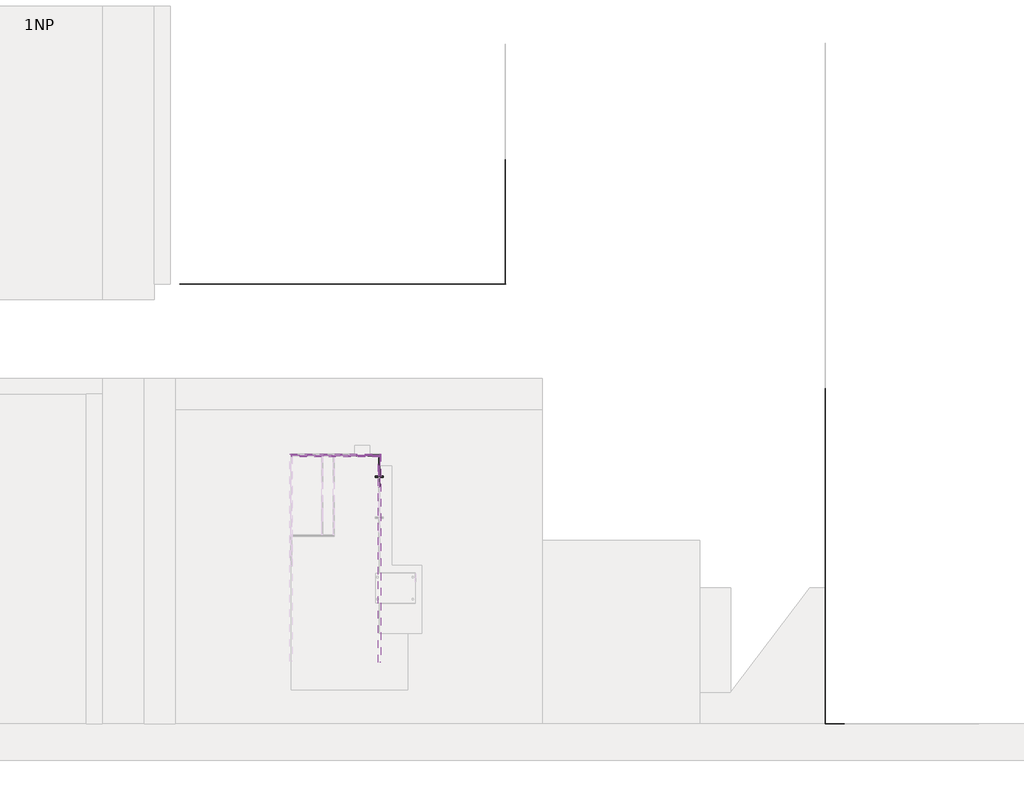
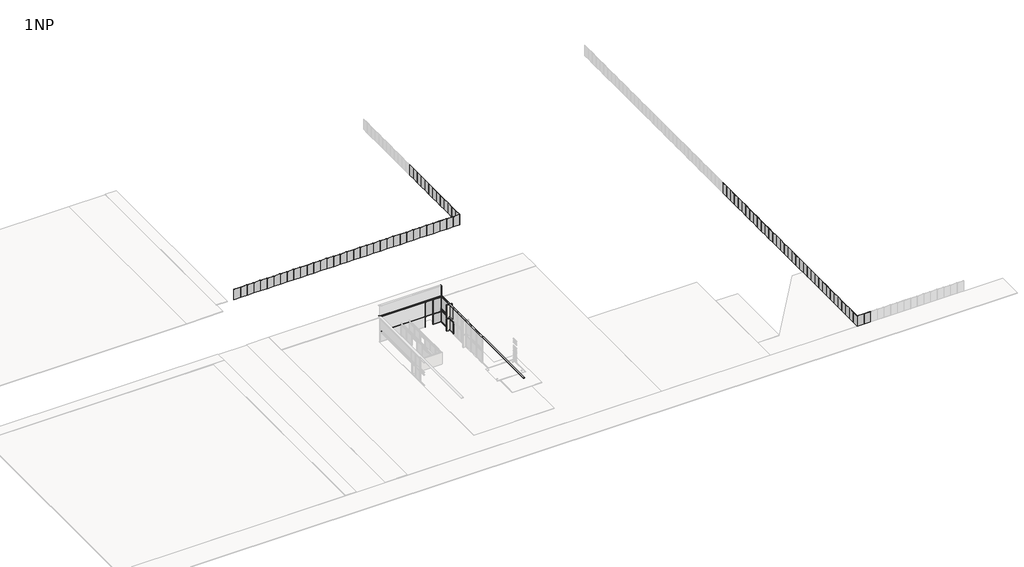
# One storey, part 8 of 52: 95 plates, 22 members, 1 wall.
"""IFC4 building model written with IfcOpenShell, lengths in millimetres."""

import ifcopenshell
import ifcopenshell.guid

model = None  # the IFC model being written
_history = None  # IfcOwnerHistory: only IFC2X3 demands one
_inside = {}  # id of a spatial element -> (the spatial element, [elements in it])
_under = {}  # id of a project, library or spatial element -> (it, [spatial elements below it])
_declared = {}  # id of a project -> (the project, [libraries it declares])
_typed = {}  # id of a type object -> (the type object, [elements of that type])
_made_of = {}  # id of a material, layer set ... -> (it, [elements and type objects made of it])


def new_model(schema):
    """Start an empty IFC model of exactly this schema.

    Asked for "IFC4X3", IfcOpenShell would pick the latest addendum, in which some entities
    have other attributes; the version numbers below select the first issue.
    IFC2X3 requires an IfcOwnerHistory on every rooted entity: one is made here for all.
    """
    global model, _history
    if schema == "IFC4X3":
        model = ifcopenshell.file(schema_version=(4, 3, 0, 0))
    else:
        model = ifcopenshell.file(schema=schema)
    _inside.clear()
    _under.clear()
    _declared.clear()
    _typed.clear()
    _made_of.clear()
    _history = None
    if model.schema == "IFC2X3":
        org = make("IfcOrganization", Name="unknown")
        user = make(
            "IfcPersonAndOrganization",
            ThePerson=make("IfcPerson", FamilyName="unknown"),
            TheOrganization=org,
        )
        app = make(
            "IfcApplication",
            ApplicationDeveloper=org,
            Version="unknown",
            ApplicationFullName="unknown",
            ApplicationIdentifier="unknown",
        )
        _history = make(
            "IfcOwnerHistory",
            OwningUser=user,
            OwningApplication=app,
            ChangeAction="ADDED",
            CreationDate=0,
        )
    return model


def make(cls, **values):
    """One entity of the class cls with the attributes given. An attribute that is None is left unset."""
    return model.create_entity(
        cls, **{name: value for name, value in values.items() if value is not None}
    )


def rooted(cls, **values):
    """An entity with a GlobalId (a new one), such as an element, a storey or a relation."""
    return make(cls, GlobalId=ifcopenshell.guid.new(), OwnerHistory=_history, **values)


def si_unit(unit_type, name, prefix=None):
    """IfcSIUnit, for example si_unit("LENGTHUNIT", "METRE", prefix="MILLI")."""
    return make("IfcSIUnit", UnitType=unit_type, Prefix=prefix, Name=name)


def assignment(units):
    """IfcUnitAssignment: the units of a project."""
    return None if units is None else make("IfcUnitAssignment", Units=units)


def point(xyz):
    """IfcCartesianPoint."""
    return None if xyz is None else make("IfcCartesianPoint", Coordinates=xyz)


def direction(xyz):
    """IfcDirection."""
    return None if xyz is None else make("IfcDirection", DirectionRatios=xyz)


def frame(location, z_axis=None, x_axis=None):
    """IfcAxis2Placement3D, a coordinate frame: its origin and axes. An axis left out is left unset."""
    return make(
        "IfcAxis2Placement3D",
        Location=point(location),
        Axis=direction(z_axis),
        RefDirection=direction(x_axis),
    )


def origin():
    """The frame at (0, 0, 0) with its axes left unset."""
    return frame((0.0, 0.0, 0.0))


def origin_with_axes():
    """The frame at (0, 0, 0) with the z axis (0, 0, 1) and the x axis (1, 0, 0) written out."""
    return frame((0.0, 0.0, 0.0), z_axis=(0.0, 0.0, 1.0), x_axis=(1.0, 0.0, 0.0))


def place(relative_to, where):
    """IfcLocalPlacement: puts the frame where relative to a parent placement (None: the world)."""
    return make(
        "IfcLocalPlacement", PlacementRelTo=relative_to, RelativePlacement=where
    )


def context(
    kind, dimensions, precision=None, world=None, true_north=None, identifier=None
):
    """IfcGeometricRepresentationContext, for example the 3D "Model" context."""
    return make(
        "IfcGeometricRepresentationContext",
        ContextIdentifier=identifier,
        ContextType=kind,
        CoordinateSpaceDimension=dimensions,
        Precision=precision,
        WorldCoordinateSystem=world,
        TrueNorth=true_north,
    )


def project(units=None, contexts=None):
    """IfcProject with its units and contexts."""
    return rooted(
        "IfcProject",
        Name="project",
        RepresentationContexts=contexts,
        UnitsInContext=assignment(units),
    )


def spatial(cls, under=None, at=None, **own):
    """A site, building, storey or space (cls), placed at a placement, below another one or the project."""
    s = rooted(cls, ObjectPlacement=at, **own)
    if under is not None:
        _under.setdefault(under.id(), (under, []))[1].append(s)
    return s


def polyline(points):
    """IfcPolyline through the points."""
    return make("IfcPolyline", Points=[point(p) for p in points])


def outline(outer, holes=None, kind="AREA"):
    """IfcArbitraryClosedProfileDef: a profile drawn as a closed curve; with holes, ...WithVoids."""
    if holes is None:
        return make("IfcArbitraryClosedProfileDef", ProfileType=kind, OuterCurve=outer)
    return make(
        "IfcArbitraryProfileDefWithVoids",
        ProfileType=kind,
        OuterCurve=outer,
        InnerCurves=holes,
    )


def extrude(swept, where, along, depth):
    """IfcExtrudedAreaSolid: the profile swept, set in the frame where, extruded along a direction by depth."""
    return make(
        "IfcExtrudedAreaSolid",
        SweptArea=swept,
        Position=where,
        ExtrudedDirection=direction(along),
        Depth=depth,
    )


def shape(context_of_items, identifier, shape_type, items):
    """IfcShapeRepresentation: the items that make up one representation, for example the "Body"."""
    return make(
        "IfcShapeRepresentation",
        ContextOfItems=context_of_items,
        RepresentationIdentifier=identifier,
        RepresentationType=shape_type,
        Items=items,
    )


def source(mapping_origin, context_of_items, identifier, shape_type, items):
    """IfcRepresentationMap: a shape defined once, which mapped items show again and again."""
    return make(
        "IfcRepresentationMap",
        MappingOrigin=mapping_origin,
        MappedRepresentation=shape(context_of_items, identifier, shape_type, items),
    )


def transform(
    local_origin,
    x_axis=None,
    y_axis=None,
    z_axis=None,
    scale=None,
    scale2=None,
    scale3=None,
    uniform=True,
):
    """IfcCartesianTransformationOperator3D, or its non-uniform kind. x_axis, y_axis, z_axis: its Axis1, 2, 3."""
    if uniform:
        return make(
            "IfcCartesianTransformationOperator3D",
            Axis1=direction(x_axis),
            Axis2=direction(y_axis),
            LocalOrigin=point(local_origin),
            Scale=scale,
            Axis3=direction(z_axis),
        )
    return make(
        "IfcCartesianTransformationOperator3DnonUniform",
        Axis1=direction(x_axis),
        Axis2=direction(y_axis),
        LocalOrigin=point(local_origin),
        Scale=scale,
        Axis3=direction(z_axis),
        Scale2=scale2,
        Scale3=scale3,
    )


def mapped(mapping_source, mapping_target):
    """IfcMappedItem: shows the shape of a source again, moved by a transform."""
    return make(
        "IfcMappedItem", MappingSource=mapping_source, MappingTarget=mapping_target
    )


def made_of(thing, what):
    """Note that an element or type object is made of a material, layer set ...; save() writes the relation."""
    if what is not None:
        _made_of.setdefault(what.id(), (what, []))[1].append(thing)
    return thing


def element(
    cls,
    number,
    at=None,
    inside=None,
    cuts=None,
    type_object=None,
    material=None,
    context=None,
    identifier="Body",
    shape_type=None,
    held_by="IfcProductDefinitionShape",
    body=None,
    shapes=None,
    **own,
):
    """One element of the class cls, such as IfcWall. Its Tag is "e" and its number.

    at: its placement. inside: the storey or other place that contains it. cuts: it is an
    opening in that element (IfcRelVoidsElement). A single representation is given by context,
    identifier, shape_type and body (its items); several are given by shapes. held_by: the class
    of the entity that holds the representations. save() writes the other relations.
    """
    e = rooted(cls, Tag="e%d" % number, ObjectPlacement=at, **own)
    if body is not None:
        shapes = [shape(context, identifier, shape_type, body)]
    if shapes is not None:
        e.Representation = make(held_by, Representations=shapes)
    if inside is not None:
        _inside.setdefault(inside.id(), (inside, []))[1].append(e)
    if cuts is not None:
        rooted(
            "IfcRelVoidsElement", RelatingBuildingElement=cuts, RelatedOpeningElement=e
        )
    if type_object is not None:
        _typed.setdefault(type_object.id(), (type_object, []))[1].append(e)
    return made_of(e, material)


def aggregate(whole, parts):
    """IfcRelAggregates: a whole, such as a stair, and the parts it consists of."""
    return rooted("IfcRelAggregates", RelatingObject=whole, RelatedObjects=parts)


def save(model, path):
    """Write the relations noted so far, then the file.

    IfcRelAggregates (storeys below a building ...), IfcRelContainedInSpatialStructure (elements
    in a storey), IfcRelDefinesByType, IfcRelAssociatesMaterial and IfcRelDeclares: one each for
    every whole, place, type object, material and project.
    """
    for whole, parts in _under.values():
        aggregate(whole, parts)
    for where, things in _inside.values():
        rooted(
            "IfcRelContainedInSpatialStructure",
            RelatedElements=things,
            RelatingStructure=where,
        )
    for kind, things in _typed.values():
        rooted("IfcRelDefinesByType", RelatedObjects=things, RelatingType=kind)
    for what, things in _made_of.values():
        rooted("IfcRelAssociatesMaterial", RelatedObjects=things, RelatingMaterial=what)
    for by, libraries in _declared.values():
        rooted("IfcRelDeclares", RelatingContext=by, RelatedDefinitions=libraries)
    model.write(path)


def montante_rectangular_5c3d1f73(model_context):
    return source(origin(), model_context, "Body", "SweptSolid", [
        extrude(outline(polyline([(-20.0, 250.0), (0.0, 250.0), (0.0, -250.0), (-20.0, -250.0), (-20.0, 250.0)])), frame((0.0, 0.0, -3000.0), z_axis=(0.0, 0.0, 1.0), x_axis=(1.0, 0.0, 0.0)), (0.0, 0.0, 1.0), 3000.0),
    ])


def montante_rectangular_8c6112e3(model_context):
    return source(origin(), model_context, "Body", "SweptSolid", [
        extrude(outline(polyline([(-250.0, 0.0), (250.0, 0.0), (250.0, -17120.0596212), (-250.0, -16620.0596212), (-250.0, 0.0)])), frame((-20.0, 0.0, 0.0), z_axis=(1.0, 0.0, 0.0), x_axis=(0.0, 1.0, 0.0)), (0.0, 0.0, 1.0), 20.0),
    ])


def montante_rectangular_9601f567(model_context):
    return source(origin(), model_context, "Body", "SweptSolid", [
        extrude(outline(polyline([(-250.0, 250.0), (250.0, -250.0), (250.0, -39492.7210549), (-250.0, -39492.7210549), (-250.0, 250.0)])), frame((-20.0, 0.0, 0.0), z_axis=(1.0, 0.0, 0.0), x_axis=(0.0, 1.0, 0.0)), (0.0, 0.0, 1.0), 20.0),
    ])


def rechteckiger_pfosten_3d9b56b6(model_context):
    return source(origin(), model_context, "Body", "SweptSolid", [
        extrude(outline(polyline([(28.0, -37.5), (28.0, -17.0), (-28.0, -17.0), (-28.0, -37.5), (-30.0, -37.5), (-30.0, -15.0), (-5.0, -15.0), (-5.0, 15.0), (-30.0, 15.0), (-30.0, 165.0), (30.0, 165.0), (30.0, 15.0), (5.0, 15.0), (5.0, -15.0), (30.0, -15.0), (30.0, -37.5), (28.0, -37.5)])), frame((0.0, 0.0, -3360.0), z_axis=(0.0, 0.0, 1.0), x_axis=(1.0, 0.0, 0.0)), (0.0, 0.0, 1.0), 3360.0),
    ])


def rechteckiger_pfosten_aa1eb0c1(model_context):
    return source(origin(), model_context, "Body", "SweptSolid", [
        extrude(outline(polyline([(-2.0, -37.5), (-2.0, -17.0), (-58.0, -17.0), (-58.0, -37.5), (-60.0, -37.5), (-60.0, -15.0), (-35.0, -15.0), (-35.0, 15.0), (-60.0, 15.0), (-60.0, 165.0), (0.0, 165.0), (0.0, 15.0), (-25.0, 15.0), (-25.0, -15.0), (0.0, -15.0), (0.0, -37.5), (-2.0, -37.5)])), frame((0.0, 0.0, -530.0), z_axis=(0.0, 0.0, 1.0), x_axis=(1.0, 0.0, 0.0)), (0.0, 0.0, 1.0), 530.0),
    ])


def rechteckiger_pfosten_171c4bc6(model_context):
    return source(origin(), model_context, "Body", "SweptSolid", [
        extrude(outline(polyline([(-2.0, -37.5), (-2.0, -17.0), (-58.0, -17.0), (-58.0, -37.5), (-60.0, -37.5), (-60.0, -15.0), (-35.0, -15.0), (-35.0, 15.0), (-60.0, 15.0), (-60.0, 165.0), (0.0, 165.0), (0.0, 15.0), (-25.0, 15.0), (-25.0, -15.0), (0.0, -15.0), (0.0, -37.5), (-2.0, -37.5)])), frame((0.0, 0.0, -3650.0), z_axis=(0.0, 0.0, 1.0), x_axis=(1.0, 0.0, 0.0)), (0.0, 0.0, 1.0), 3650.0),
    ])


def rechteckiger_pfosten_9505dc70(model_context):
    return source(origin(), model_context, "Body", "SweptSolid", [
        extrude(outline(polyline([(28.0, -37.5), (28.0, -17.0), (-28.0, -17.0), (-28.0, -37.5), (-30.0, -37.5), (-30.0, -15.0), (-5.0, -15.0), (-5.0, 15.0), (-30.0, 15.0), (-30.0, 165.0), (30.0, 165.0), (30.0, 15.0), (5.0, 15.0), (5.0, -15.0), (30.0, -15.0), (30.0, -37.5), (28.0, -37.5)])), frame((0.0, 0.0, -3954.5832828), z_axis=(0.0, 0.0, 1.0), x_axis=(1.0, 0.0, 0.0)), (0.0, 0.0, 1.0), 3954.5832828),
    ])


def rechteckiger_pfosten_4fb64e3b(model_context):
    return source(origin(), model_context, "Body", "SweptSolid", [
        extrude(outline(polyline([(28.0, -37.5), (28.0, -17.0), (-28.0, -17.0), (-28.0, -37.5), (-30.0, -37.5), (-30.0, -15.0), (-5.0, -15.0), (-5.0, 15.0), (-30.0, 15.0), (-30.0, 165.0), (30.0, 165.0), (30.0, 15.0), (5.0, 15.0), (5.0, -15.0), (30.0, -15.0), (30.0, -37.5), (28.0, -37.5)])), frame((0.0, 0.0, -3894.5832828), z_axis=(0.0, 0.0, 1.0), x_axis=(1.0, 0.0, 0.0)), (0.0, 0.0, 1.0), 3894.5832828),
    ])


def rechteckiger_pfosten_6_x_12_ca4420eb(model_context):
    return source(origin(), model_context, "Body", "SweptSolid", [
        extrude(outline(polyline([(0.0, 60.0), (0.0, -60.0), (-60.0, -60.0), (-60.0, 60.0), (0.0, 60.0)])), frame((0.0, 0.0, -2182.2426057), z_axis=(0.0, 0.0, 1.0), x_axis=(1.0, 0.0, 0.0)), (0.0, 0.0, 1.0), 2182.2426057),
    ])


def rechteckiger_pfosten_6_x_12_112d3092(model_context):
    return source(origin(), model_context, "Body", "SweptSolid", [
        extrude(outline(polyline([(0.0, 60.0), (0.0, -60.0), (-60.0, -60.0), (-60.0, 60.0), (0.0, 60.0)])), frame((0.0, 0.0, -3050.0), z_axis=(0.0, 0.0, 1.0), x_axis=(1.0, 0.0, 0.0)), (0.0, 0.0, 1.0), 3050.0),
    ])


def rechteckiger_pfosten_6_x_12_97339e08(model_context):
    return source(origin(), model_context, "Body", "SweptSolid", [
        extrude(outline(polyline([(30.0, 60.0), (30.0, -60.0), (-30.0, -60.0), (-30.0, 60.0), (30.0, 60.0)])), frame((0.0, 0.0, -3050.0), z_axis=(0.0, 0.0, 1.0), x_axis=(1.0, 0.0, 0.0)), (0.0, 0.0, 1.0), 3050.0),
    ])


def rechteckiger_pfosten_6_x_12_301eb382(model_context):
    return source(origin(), model_context, "Body", "SweptSolid", [
        extrude(outline(polyline([(30.0, 60.0), (30.0, -60.0), (-30.0, -60.0), (-30.0, 60.0), (30.0, 60.0)])), frame((0.0, 0.0, -12404.4852111), z_axis=(0.0, 0.0, 1.0), x_axis=(1.0, 0.0, 0.0)), (0.0, 0.0, 1.0), 12404.4852111),
    ])


def rechteckiger_pfosten_6_x_12_3c27bcfa(model_context):
    return source(origin(), model_context, "Body", "SweptSolid", [
        extrude(outline(polyline([(30.0, 60.0), (30.0, -60.0), (-30.0, -60.0), (-30.0, 60.0), (30.0, 60.0)])), frame((0.0, 0.0, -2062.2426055), z_axis=(0.0, 0.0, 1.0), x_axis=(1.0, 0.0, 0.0)), (0.0, 0.0, 1.0), 2062.2426055),
    ])


def rechteckiger_pfosten_6_x_12_18bbbe2e(model_context):
    return source(origin(), model_context, "Body", "SweptSolid", [
        extrude(outline(polyline([(30.0, 60.0), (30.0, -60.0), (-30.0, -60.0), (-30.0, 60.0), (30.0, 60.0)])), frame((0.0, 0.0, -2182.2426057), z_axis=(0.0, 0.0, 1.0), x_axis=(1.0, 0.0, 0.0)), (0.0, 0.0, 1.0), 2182.2426057),
    ])


def rechteckiger_pfosten_6_x_12_9d43ea78(model_context):
    return source(origin(), model_context, "Body", "SweptSolid", [
        extrude(outline(polyline([(0.0, 60.0), (0.0, -60.0), (-60.0, -60.0), (-60.0, 60.0), (0.0, 60.0)])), frame((0.0, 0.0, -4250.0), z_axis=(0.0, 0.0, 1.0), x_axis=(1.0, 0.0, 0.0)), (0.0, 0.0, 1.0), 4250.0),
    ])


def rechteckiger_pfosten_6_x_12_33b7951e(model_context):
    return source(origin(), model_context, "Body", "SweptSolid", [
        extrude(outline(polyline([(0.0, 60.0), (0.0, -60.0), (-60.0, -60.0), (-60.0, 60.0), (0.0, 60.0)])), frame((0.0, 0.0, -12464.4852111), z_axis=(0.0, 0.0, 1.0), x_axis=(1.0, 0.0, 0.0)), (0.0, 0.0, 1.0), 12464.4852111),
    ])


def rechteckiger_pfosten_6_x_12_ef51a042(model_context):
    return source(origin(), model_context, "Body", "SweptSolid", [
        extrude(outline(polyline([(0.0, 60.0), (0.0, -60.0), (-60.0, -60.0), (-60.0, 60.0), (0.0, 60.0)])), frame((0.0, 0.0, -2062.2426055), z_axis=(0.0, 0.0, 1.0), x_axis=(1.0, 0.0, 0.0)), (0.0, 0.0, 1.0), 2062.2426055),
    ])


def rechteckiger_pfosten_6_x_12_022db057(model_context):
    return source(origin(), model_context, "Body", "SweptSolid", [
        extrude(outline(polyline([(30.0, 60.0), (30.0, -60.0), (-30.0, -60.0), (-30.0, 60.0), (30.0, 60.0)])), frame((0.0, 0.0, -4250.0), z_axis=(0.0, 0.0, 1.0), x_axis=(1.0, 0.0, 0.0)), (0.0, 0.0, 1.0), 4250.0),
    ])


def plate_1b9f2f65(model_context):
    return source(origin(), model_context, "Body", "SweptSolid", [
        extrude(outline(polyline([(915.0000002, 24.5), (-915.0000002, 24.5), (-915.0000002, 49.5), (915.0000002, 49.5), (915.0000002, 24.5)])), origin_with_axes(), (0.0, 0.0, 1.0), 3000.0),
    ])


def systemelement_metallpanel_b2156d35(model_context):
    return source(origin(), model_context, "Body", "SweptSolid", [
        extrude(outline(polyline([(1977.2916414, -15.0), (-1977.2916414, -15.0), (-1977.2916414, 15.0), (1977.2916414, 15.0), (1977.2916414, -15.0)])), origin_with_axes(), (0.0, 0.0, 1.0), 145.0),
    ])


def systemelement_metallpanel_b65c1aba(model_context):
    return source(origin(), model_context, "Body", "SweptSolid", [
        extrude(outline(polyline([(1959.7916414, -15.0), (-1959.7916414, -15.0), (-1959.7916414, 15.0), (1959.7916414, 15.0), (1959.7916414, -15.0)])), origin_with_axes(), (0.0, 0.0, 1.0), 490.0),
    ])


def systemelement_metallpanel_d915f0b3(model_context):
    return source(origin(), model_context, "Body", "SweptSolid", [
        extrude(outline(polyline([(953.2094797, -15.0), (-953.2094797, -15.0), (-953.2094797, 15.0), (953.2094797, 15.0), (953.2094797, -15.0)])), origin_with_axes(), (0.0, 0.0, 1.0), 145.0),
    ])


def systemelement_metallpanel_b4513d68(model_context):
    return source(origin(), model_context, "Body", "SweptSolid", [
        extrude(outline(polyline([(953.2094797, -15.0), (-953.2094797, -15.0), (-953.2094797, 15.0), (953.2094797, 15.0), (953.2094797, -15.0)])), origin_with_axes(), (0.0, 0.0, 1.0), 490.0),
    ])


def systemelement_verglasung_fad9b852(model_context):
    return source(origin(), model_context, "Body", "SweptSolid", [
        extrude(outline(polyline([(1091.1213028, -15.0), (-1091.1213028, -15.0), (-1091.1213028, 15.0), (1091.1213028, 15.0), (1091.1213028, -15.0)])), origin_with_axes(), (0.0, 0.0, 1.0), 2960.0),
    ])


def systemelement_verglasung_00d76610(model_context):
    return source(origin(), model_context, "Body", "SweptSolid", [
        extrude(outline(polyline([(1031.1213028, -15.0), (-1031.1213028, -15.0), (-1031.1213028, 15.0), (1031.1213028, 15.0), (1031.1213028, -15.0)])), origin_with_axes(), (0.0, 0.0, 1.0), 4160.0),
    ])


def systemelement_verglasung_5936072a(model_context):
    return source(origin(), model_context, "Body", "SweptSolid", [
        extrude(outline(polyline([(1091.1213028, -15.0), (-1091.1213028, -15.0), (-1091.1213028, 15.0), (1091.1213028, 15.0), (1091.1213028, -15.0)])), origin_with_axes(), (0.0, 0.0, 1.0), 4160.0),
    ])


def systemelement_verglasung_d50b771a(model_context):
    return source(origin(), model_context, "Body", "SweptSolid", [
        extrude(outline(polyline([(1977.2916414, -15.0), (-1977.2916414, -15.0), (-1977.2916414, 15.0), (1977.2916414, 15.0), (1977.2916414, -15.0)])), origin_with_axes(), (0.0, 0.0, 1.0), 3290.0),
    ])


def systemelement_verglasung_3a498a61(model_context):
    return source(origin(), model_context, "Body", "SweptSolid", [
        extrude(outline(polyline([(1959.7916414, -15.0), (-1959.7916414, -15.0), (-1959.7916414, 15.0), (1959.7916414, 15.0), (1959.7916414, -15.0)])), origin_with_axes(), (0.0, 0.0, 1.0), 3645.0),
    ])


def systemelement_verglasung_d31d0ff6(model_context):
    return source(origin(), model_context, "Body", "SweptSolid", [
        extrude(outline(polyline([(950.7094797, -15.0), (-950.7094797, -15.0), (-950.7094797, 15.0), (950.7094797, 15.0), (950.7094797, -15.0)])), origin_with_axes(), (0.0, 0.0, 1.0), 3290.0),
    ])


def systemelement_verglasung_04df76c5(model_context):
    return source(origin(), model_context, "Body", "SweptSolid", [
        extrude(outline(polyline([(950.7094797, -15.0), (-950.7094797, -15.0), (-950.7094797, 15.0), (950.7094797, 15.0), (950.7094797, -15.0)])), origin_with_axes(), (0.0, 0.0, 1.0), 3645.0),
    ])


model = new_model("IFC4")

# Units and contexts
model_context = context("Model", 3, world=origin())
ifc_project = project(units=[si_unit("LENGTHUNIT", "METRE", prefix="MILLI")], contexts=[model_context])

# Site, building, storey
site = spatial("IfcSite", under=ifc_project)
building = spatial("IfcBuilding", under=site)
storey = spatial("IfcBuildingStorey", under=building, Name="1NP", Elevation=0.0)

# Members
placement = place(None, origin())
montante_rectangular_shape = montante_rectangular_5c3d1f73(model_context)
element("IfcMember", 1, ObjectType="Montante rectangular", at=placement, inside=storey, context=model_context, shape_type="MappedRepresentation", body=[
    mapped(montante_rectangular_shape, transform((38963.8207872, 51265.2722584, 10600.0), x_axis=(1.0, 0.0, 0.0), y_axis=(0.0, 1.0, 0.0), z_axis=(0.0, 0.0, 1.0))),
])
montante_rectangular_2_shape = montante_rectangular_8c6112e3(model_context)
element("IfcMember", 2, ObjectType="Montante rectangular", at=placement, inside=storey, context=model_context, shape_type="MappedRepresentation", body=[
    mapped(montante_rectangular_2_shape, transform((38943.8207872, 51265.2722584, 7600.0), x_axis=(0.0, 0.0, -1.0), y_axis=(0.0, 1.0, 0.0), z_axis=(1.0, 0.0, 0.0))),
])
montante_rectangular_3_shape = montante_rectangular_9601f567(model_context)
element("IfcMember", 3, ObjectType="Montante rectangular", at=placement, inside=storey, context=model_context, shape_type="MappedRepresentation", body=[
    mapped(montante_rectangular_3_shape, transform((38963.8207872, 51265.2722584, 7600.0), x_axis=(0.0, 0.0, -1.0), y_axis=(-1.0, 0.0, 0.0), z_axis=(0.0, 1.0, 0.0))),
])
rechteckiger_pfosten_shape = rechteckiger_pfosten_3d9b56b6(model_context)
element("IfcMember", 4, ObjectType="Rechteckiger Pfosten", at=placement, inside=storey, context=model_context, shape_type="MappedRepresentation", body=[
    mapped(rechteckiger_pfosten_shape, transform((38962.7315883, 45204.2700162, 120.0), x_axis=(0.0, -1.0, 0.0), y_axis=(-1.0, 0.0, 0.0), z_axis=(0.0, 0.0, -1.0))),
])
rechteckiger_pfosten_2_shape = rechteckiger_pfosten_aa1eb0c1(model_context)
element("IfcMember", 5, ObjectType="Rechteckiger Pfosten", at=placement, inside=storey, context=model_context, shape_type="MappedRepresentation", body=[
    mapped(rechteckiger_pfosten_2_shape, transform((38962.7315883, 47310.6889756, 3420.0), x_axis=(0.0, -1.0, 0.0), y_axis=(-1.0, 0.0, 0.0), z_axis=(0.0, 0.0, -1.0))),
])
rechteckiger_pfosten_3_shape = rechteckiger_pfosten_171c4bc6(model_context)
element("IfcMember", 6, ObjectType="Rechteckiger Pfosten", at=placement, inside=storey, context=model_context, shape_type="MappedRepresentation", body=[
    mapped(rechteckiger_pfosten_3_shape, transform((38962.7315883, 47310.6889756, 3950.0), x_axis=(0.0, -1.0, 0.0), y_axis=(-1.0, 0.0, 0.0), z_axis=(0.0, 0.0, -1.0))),
])
rechteckiger_pfosten_4_shape = rechteckiger_pfosten_9505dc70(model_context)
element("IfcMember", 7, ObjectType="Rechteckiger Pfosten", at=placement, inside=storey, context=model_context, shape_type="MappedRepresentation", body=[
    mapped(rechteckiger_pfosten_4_shape, transform((38962.7315883, 47310.6889756, 150.0), x_axis=(0.0, 0.0, 1.0), y_axis=(-1.0, 0.0, 0.0), z_axis=(0.0, -1.0, 0.0))),
])
rechteckiger_pfosten_5_shape = rechteckiger_pfosten_4fb64e3b(model_context)
element("IfcMember", 8, ObjectType="Rechteckiger Pfosten", at=placement, inside=storey, context=model_context, shape_type="MappedRepresentation", body=[
    mapped(rechteckiger_pfosten_5_shape, transform((38962.7315883, 47370.6889756, 3450.0), x_axis=(0.0, 0.0, 1.0), y_axis=(-1.0, 0.0, 0.0), z_axis=(0.0, -1.0, 0.0))),
])
element("IfcMember", 9, ObjectType="Rechteckiger Pfosten", at=placement, inside=storey, context=model_context, shape_type="MappedRepresentation", body=[
    mapped(rechteckiger_pfosten_5_shape, transform((38962.7315883, 47370.6889756, 3950.0), x_axis=(0.0, 0.0, 1.0), y_axis=(-1.0, 0.0, 0.0), z_axis=(0.0, -1.0, 0.0))),
])
rechteckiger_pfosten_6_x_12_shape = rechteckiger_pfosten_6_x_12_ca4420eb(model_context)
element("IfcMember", 10, ObjectType="Rechteckiger Pfosten : 6 x 12", at=placement, inside=storey, context=model_context, shape_type="MappedRepresentation", body=[
    mapped(rechteckiger_pfosten_6_x_12_shape, transform((38902.7315883, 51265.2722584, 7300.0), x_axis=(0.0, 0.0, 1.0), y_axis=(0.0, -1.0, 0.0), z_axis=(1.0, 0.0, 0.0))),
])
rechteckiger_pfosten_6_x_12_2_shape = rechteckiger_pfosten_6_x_12_112d3092(model_context)
element("IfcMember", 11, ObjectType="Rechteckiger Pfosten : 6 x 12", at=placement, inside=storey, context=model_context, shape_type="MappedRepresentation", body=[
    mapped(rechteckiger_pfosten_6_x_12_2_shape, transform((38962.7315883, 51265.2722584, 0.0), x_axis=(1.0, 0.0, 0.0), y_axis=(0.0, -1.0, 0.0), z_axis=(0.0, 0.0, -1.0))),
])
rechteckiger_pfosten_6_x_12_3_shape = rechteckiger_pfosten_6_x_12_97339e08(model_context)
element("IfcMember", 12, ObjectType="Rechteckiger Pfosten : 6 x 12", at=placement, inside=storey, context=model_context, shape_type="MappedRepresentation", body=[
    mapped(rechteckiger_pfosten_6_x_12_3_shape, transform((34568.2463771, 51265.2722584, 0.0), x_axis=(1.0, 0.0, 0.0), y_axis=(0.0, -1.0, 0.0), z_axis=(0.0, 0.0, -1.0))),
])
element("IfcMember", 13, ObjectType="Rechteckiger Pfosten : 6 x 12", at=placement, inside=storey, context=model_context, shape_type="MappedRepresentation", body=[
    mapped(rechteckiger_pfosten_6_x_12_3_shape, transform((36690.4889826, 51265.2722584, 0.0), x_axis=(1.0, 0.0, 0.0), y_axis=(0.0, -1.0, 0.0), z_axis=(0.0, 0.0, -1.0))),
])
rechteckiger_pfosten_6_x_12_4_shape = rechteckiger_pfosten_6_x_12_301eb382(model_context)
element("IfcMember", 14, ObjectType="Rechteckiger Pfosten : 6 x 12", at=placement, inside=storey, context=model_context, shape_type="MappedRepresentation", body=[
    mapped(rechteckiger_pfosten_6_x_12_4_shape, transform((34538.2463771, 51265.2722584, 3050.0), x_axis=(0.0, 0.0, 1.0), y_axis=(0.0, -1.0, 0.0), z_axis=(1.0, 0.0, 0.0))),
])
rechteckiger_pfosten_6_x_12_5_shape = rechteckiger_pfosten_6_x_12_3c27bcfa(model_context)
element("IfcMember", 15, ObjectType="Rechteckiger Pfosten : 6 x 12", at=placement, inside=storey, context=model_context, shape_type="MappedRepresentation", body=[
    mapped(rechteckiger_pfosten_6_x_12_5_shape, transform((36660.4889826, 51265.2722584, 3050.0), x_axis=(0.0, 0.0, 1.0), y_axis=(0.0, -1.0, 0.0), z_axis=(1.0, 0.0, 0.0))),
])
rechteckiger_pfosten_6_x_12_6_shape = rechteckiger_pfosten_6_x_12_18bbbe2e(model_context)
element("IfcMember", 16, ObjectType="Rechteckiger Pfosten : 6 x 12", at=placement, inside=storey, context=model_context, shape_type="MappedRepresentation", body=[
    mapped(rechteckiger_pfosten_6_x_12_6_shape, transform((38902.7315883, 51265.2722584, 3050.0), x_axis=(0.0, 0.0, 1.0), y_axis=(0.0, -1.0, 0.0), z_axis=(1.0, 0.0, 0.0))),
])
element("IfcMember", 17, ObjectType="Rechteckiger Pfosten : 6 x 12", at=placement, inside=storey, context=model_context, shape_type="MappedRepresentation", body=[
    mapped(rechteckiger_pfosten_6_x_12_shape, transform((36720.4889826, 51265.2722584, 0.0), x_axis=(0.0, 0.0, -1.0), y_axis=(0.0, -1.0, 0.0), z_axis=(-1.0, 0.0, 0.0))),
])
rechteckiger_pfosten_6_x_12_7_shape = rechteckiger_pfosten_6_x_12_9d43ea78(model_context)
element("IfcMember", 18, ObjectType="Rechteckiger Pfosten : 6 x 12", at=placement, inside=storey, context=model_context, shape_type="MappedRepresentation", body=[
    mapped(rechteckiger_pfosten_6_x_12_7_shape, transform((38962.7315883, 51265.2722584, 3050.0), x_axis=(1.0, 0.0, 0.0), y_axis=(0.0, -1.0, 0.0), z_axis=(0.0, 0.0, -1.0))),
])
rechteckiger_pfosten_6_x_12_8_shape = rechteckiger_pfosten_6_x_12_33b7951e(model_context)
element("IfcMember", 19, ObjectType="Rechteckiger Pfosten : 6 x 12", at=placement, inside=storey, context=model_context, shape_type="MappedRepresentation", body=[
    mapped(rechteckiger_pfosten_6_x_12_8_shape, transform((34538.2463771, 51265.2722584, 7300.0), x_axis=(0.0, 0.0, 1.0), y_axis=(0.0, -1.0, 0.0), z_axis=(1.0, 0.0, 0.0))),
])
rechteckiger_pfosten_6_x_12_9_shape = rechteckiger_pfosten_6_x_12_ef51a042(model_context)
element("IfcMember", 20, ObjectType="Rechteckiger Pfosten : 6 x 12", at=placement, inside=storey, context=model_context, shape_type="MappedRepresentation", body=[
    mapped(rechteckiger_pfosten_6_x_12_9_shape, transform((36660.4889826, 51265.2722584, 7300.0), x_axis=(0.0, 0.0, 1.0), y_axis=(0.0, -1.0, 0.0), z_axis=(1.0, 0.0, 0.0))),
])
rechteckiger_pfosten_6_x_12_10_shape = rechteckiger_pfosten_6_x_12_022db057(model_context)
element("IfcMember", 21, ObjectType="Rechteckiger Pfosten : 6 x 12", at=placement, inside=storey, context=model_context, shape_type="MappedRepresentation", body=[
    mapped(rechteckiger_pfosten_6_x_12_10_shape, transform((34568.2463771, 51265.2722584, 3050.0), x_axis=(1.0, 0.0, 0.0), y_axis=(0.0, -1.0, 0.0), z_axis=(0.0, 0.0, -1.0))),
])
element("IfcMember", 22, ObjectType="Rechteckiger Pfosten : 6 x 12", at=placement, inside=storey, context=model_context, shape_type="MappedRepresentation", body=[
    mapped(rechteckiger_pfosten_6_x_12_10_shape, transform((36690.4889826, 51265.2722584, 3050.0), x_axis=(1.0, 0.0, 0.0), y_axis=(0.0, -1.0, 0.0), z_axis=(0.0, 0.0, -1.0))),
])

# Plates
plate_shape = plate_1b9f2f65(model_context)
element("IfcPlate", 23, at=placement, inside=storey, context=model_context, shape_type="MappedRepresentation", body=[
    mapped(plate_shape, transform((124000.0, 915.0000002, 0.0), x_axis=(0.0, 1.0, 0.0), y_axis=(-1.0, 0.0, 0.0), z_axis=(0.0, 0.0, 1.0))),
])
element("IfcPlate", 24, at=placement, inside=storey, context=model_context, shape_type="MappedRepresentation", body=[
    mapped(plate_shape, transform((124000.0, 2745.0000003, 0.0), x_axis=(0.0, 1.0, 0.0), y_axis=(-1.0, 0.0, 0.0), z_axis=(0.0, 0.0, 1.0))),
])
element("IfcPlate", 25, at=placement, inside=storey, context=model_context, shape_type="MappedRepresentation", body=[
    mapped(plate_shape, transform((124000.0, 4575.0000003, 0.0), x_axis=(0.0, 1.0, 0.0), y_axis=(-1.0, 0.0, 0.0), z_axis=(0.0, 0.0, 1.0))),
])
element("IfcPlate", 26, at=placement, inside=storey, context=model_context, shape_type="MappedRepresentation", body=[
    mapped(plate_shape, transform((124000.0, 6405.0000003, 0.0), x_axis=(0.0, 1.0, 0.0), y_axis=(-1.0, 0.0, 0.0), z_axis=(0.0, 0.0, 1.0))),
])
element("IfcPlate", 27, at=placement, inside=storey, context=model_context, shape_type="MappedRepresentation", body=[
    mapped(plate_shape, transform((124000.0, 8235.0000003, 0.0), x_axis=(0.0, 1.0, 0.0), y_axis=(-1.0, 0.0, 0.0), z_axis=(0.0, 0.0, 1.0))),
])
element("IfcPlate", 28, at=placement, inside=storey, context=model_context, shape_type="MappedRepresentation", body=[
    mapped(plate_shape, transform((124000.0, 10065.0000003, 0.0), x_axis=(0.0, 1.0, 0.0), y_axis=(-1.0, 0.0, 0.0), z_axis=(0.0, 0.0, 1.0))),
])
element("IfcPlate", 29, at=placement, inside=storey, context=model_context, shape_type="MappedRepresentation", body=[
    mapped(plate_shape, transform((124000.0, 11895.0000003, 0.0), x_axis=(0.0, 1.0, 0.0), y_axis=(-1.0, 0.0, 0.0), z_axis=(0.0, 0.0, 1.0))),
])
element("IfcPlate", 30, at=placement, inside=storey, context=model_context, shape_type="MappedRepresentation", body=[
    mapped(plate_shape, transform((124000.0, 13725.0000003, 0.0), x_axis=(0.0, 1.0, 0.0), y_axis=(-1.0, 0.0, 0.0), z_axis=(0.0, 0.0, 1.0))),
])
element("IfcPlate", 31, at=placement, inside=storey, context=model_context, shape_type="MappedRepresentation", body=[
    mapped(plate_shape, transform((124000.0, 15555.0000003, 0.0), x_axis=(0.0, 1.0, 0.0), y_axis=(-1.0, 0.0, 0.0), z_axis=(0.0, 0.0, 1.0))),
])
element("IfcPlate", 32, at=placement, inside=storey, context=model_context, shape_type="MappedRepresentation", body=[
    mapped(plate_shape, transform((124000.0, 17385.0000003, 0.0), x_axis=(0.0, 1.0, 0.0), y_axis=(-1.0, 0.0, 0.0), z_axis=(0.0, 0.0, 1.0))),
])
element("IfcPlate", 33, at=placement, inside=storey, context=model_context, shape_type="MappedRepresentation", body=[
    mapped(plate_shape, transform((124000.0, 19215.0000003, 0.0), x_axis=(0.0, 1.0, 0.0), y_axis=(-1.0, 0.0, 0.0), z_axis=(0.0, 0.0, 1.0))),
])
element("IfcPlate", 34, at=placement, inside=storey, context=model_context, shape_type="MappedRepresentation", body=[
    mapped(plate_shape, transform((124000.0, 21045.0000003, 0.0), x_axis=(0.0, 1.0, 0.0), y_axis=(-1.0, 0.0, 0.0), z_axis=(0.0, 0.0, 1.0))),
])
element("IfcPlate", 35, at=placement, inside=storey, context=model_context, shape_type="MappedRepresentation", body=[
    mapped(plate_shape, transform((124000.0, 22875.0000003, 0.0), x_axis=(0.0, 1.0, 0.0), y_axis=(-1.0, 0.0, 0.0), z_axis=(0.0, 0.0, 1.0))),
])
element("IfcPlate", 36, at=placement, inside=storey, context=model_context, shape_type="MappedRepresentation", body=[
    mapped(plate_shape, transform((124000.0, 24705.0000003, 0.0), x_axis=(0.0, 1.0, 0.0), y_axis=(-1.0, 0.0, 0.0), z_axis=(0.0, 0.0, 1.0))),
])
element("IfcPlate", 37, at=placement, inside=storey, context=model_context, shape_type="MappedRepresentation", body=[
    mapped(plate_shape, transform((124000.0, 26535.0000003, 0.0), x_axis=(0.0, 1.0, 0.0), y_axis=(-1.0, 0.0, 0.0), z_axis=(0.0, 0.0, 1.0))),
])
element("IfcPlate", 38, at=placement, inside=storey, context=model_context, shape_type="MappedRepresentation", body=[
    mapped(plate_shape, transform((124000.0, 28365.0000003, 0.0), x_axis=(0.0, 1.0, 0.0), y_axis=(-1.0, 0.0, 0.0), z_axis=(0.0, 0.0, 1.0))),
])
element("IfcPlate", 39, at=placement, inside=storey, context=model_context, shape_type="MappedRepresentation", body=[
    mapped(plate_shape, transform((124000.0, 30195.0000003, 0.0), x_axis=(0.0, 1.0, 0.0), y_axis=(-1.0, 0.0, 0.0), z_axis=(0.0, 0.0, 1.0))),
])
element("IfcPlate", 40, at=placement, inside=storey, context=model_context, shape_type="MappedRepresentation", body=[
    mapped(plate_shape, transform((124000.0, 32025.0000003, 0.0), x_axis=(0.0, 1.0, 0.0), y_axis=(-1.0, 0.0, 0.0), z_axis=(0.0, 0.0, 1.0))),
])
element("IfcPlate", 41, at=placement, inside=storey, context=model_context, shape_type="MappedRepresentation", body=[
    mapped(plate_shape, transform((124000.0, 33855.0000003, 0.0), x_axis=(0.0, 1.0, 0.0), y_axis=(-1.0, 0.0, 0.0), z_axis=(0.0, 0.0, 1.0))),
])
element("IfcPlate", 42, at=placement, inside=storey, context=model_context, shape_type="MappedRepresentation", body=[
    mapped(plate_shape, transform((124000.0, 35685.0000003, 0.0), x_axis=(0.0, 1.0, 0.0), y_axis=(-1.0, 0.0, 0.0), z_axis=(0.0, 0.0, 1.0))),
])
element("IfcPlate", 43, at=placement, inside=storey, context=model_context, shape_type="MappedRepresentation", body=[
    mapped(plate_shape, transform((124000.0, 37515.0000003, 0.0), x_axis=(0.0, 1.0, 0.0), y_axis=(-1.0, 0.0, 0.0), z_axis=(0.0, 0.0, 1.0))),
])
element("IfcPlate", 44, at=placement, inside=storey, context=model_context, shape_type="MappedRepresentation", body=[
    mapped(plate_shape, transform((124000.0, 39345.0000003, 0.0), x_axis=(0.0, 1.0, 0.0), y_axis=(-1.0, 0.0, 0.0), z_axis=(0.0, 0.0, 1.0))),
])
element("IfcPlate", 45, at=placement, inside=storey, context=model_context, shape_type="MappedRepresentation", body=[
    mapped(plate_shape, transform((124000.0, 41175.0000003, 0.0), x_axis=(0.0, 1.0, 0.0), y_axis=(-1.0, 0.0, 0.0), z_axis=(0.0, 0.0, 1.0))),
])
element("IfcPlate", 46, at=placement, inside=storey, context=model_context, shape_type="MappedRepresentation", body=[
    mapped(plate_shape, transform((124000.0, 43005.0000003, 0.0), x_axis=(0.0, 1.0, 0.0), y_axis=(-1.0, 0.0, 0.0), z_axis=(0.0, 0.0, 1.0))),
])
element("IfcPlate", 47, at=placement, inside=storey, context=model_context, shape_type="MappedRepresentation", body=[
    mapped(plate_shape, transform((124000.0, 44835.0000003, 0.0), x_axis=(0.0, 1.0, 0.0), y_axis=(-1.0, 0.0, 0.0), z_axis=(0.0, 0.0, 1.0))),
])
element("IfcPlate", 48, at=placement, inside=storey, context=model_context, shape_type="MappedRepresentation", body=[
    mapped(plate_shape, transform((124000.0, 46665.0000003, 0.0), x_axis=(0.0, 1.0, 0.0), y_axis=(-1.0, 0.0, 0.0), z_axis=(0.0, 0.0, 1.0))),
])
element("IfcPlate", 49, at=placement, inside=storey, context=model_context, shape_type="MappedRepresentation", body=[
    mapped(plate_shape, transform((124000.0, 48495.0000003, 0.0), x_axis=(0.0, 1.0, 0.0), y_axis=(-1.0, 0.0, 0.0), z_axis=(0.0, 0.0, 1.0))),
])
element("IfcPlate", 50, at=placement, inside=storey, context=model_context, shape_type="MappedRepresentation", body=[
    mapped(plate_shape, transform((124000.0, 50325.0000003, 0.0), x_axis=(0.0, 1.0, 0.0), y_axis=(-1.0, 0.0, 0.0), z_axis=(0.0, 0.0, 1.0))),
])
element("IfcPlate", 51, at=placement, inside=storey, context=model_context, shape_type="MappedRepresentation", body=[
    mapped(plate_shape, transform((124000.0, 52155.0000003, 0.0), x_axis=(0.0, 1.0, 0.0), y_axis=(-1.0, 0.0, 0.0), z_axis=(0.0, 0.0, 1.0))),
])
element("IfcPlate", 52, at=placement, inside=storey, context=model_context, shape_type="MappedRepresentation", body=[
    mapped(plate_shape, transform((124000.0, 53985.0000003, 0.0), x_axis=(0.0, 1.0, 0.0), y_axis=(-1.0, 0.0, 0.0), z_axis=(0.0, 0.0, 1.0))),
])
element("IfcPlate", 53, at=placement, inside=storey, context=model_context, shape_type="MappedRepresentation", body=[
    mapped(plate_shape, transform((124000.0, 55815.0000003, 0.0), x_axis=(0.0, 1.0, 0.0), y_axis=(-1.0, 0.0, 0.0), z_axis=(0.0, 0.0, 1.0))),
])
element("IfcPlate", 54, at=placement, inside=storey, context=model_context, shape_type="MappedRepresentation", body=[
    mapped(plate_shape, transform((124000.0, 57645.0000003, 0.0), x_axis=(0.0, 1.0, 0.0), y_axis=(-1.0, 0.0, 0.0), z_axis=(0.0, 0.0, 1.0))),
])
element("IfcPlate", 55, at=placement, inside=storey, context=model_context, shape_type="MappedRepresentation", body=[
    mapped(plate_shape, transform((124000.0, 59475.0000003, 0.0), x_axis=(0.0, 1.0, 0.0), y_axis=(-1.0, 0.0, 0.0), z_axis=(0.0, 0.0, 1.0))),
])
element("IfcPlate", 56, at=placement, inside=storey, context=model_context, shape_type="MappedRepresentation", body=[
    mapped(plate_shape, transform((124000.0, 61305.0000003, 0.0), x_axis=(0.0, 1.0, 0.0), y_axis=(-1.0, 0.0, 0.0), z_axis=(0.0, 0.0, 1.0))),
])
element("IfcPlate", 57, at=placement, inside=storey, context=model_context, shape_type="MappedRepresentation", body=[
    mapped(plate_shape, transform((124000.0, 63135.0000003, 0.0), x_axis=(0.0, 1.0, 0.0), y_axis=(-1.0, 0.0, 0.0), z_axis=(0.0, 0.0, 1.0))),
])
element("IfcPlate", 58, at=placement, inside=storey, context=model_context, shape_type="MappedRepresentation", body=[
    mapped(plate_shape, transform((124915.0000002, 0.0, 0.0), x_axis=(1.0, 0.0, 0.0), y_axis=(0.0, 1.0, 0.0), z_axis=(0.0, 0.0, 1.0))),
])
element("IfcPlate", 59, at=placement, inside=storey, context=model_context, shape_type="MappedRepresentation", body=[
    mapped(plate_shape, transform((126745.0000003, 0.0, 0.0), x_axis=(1.0, 0.0, 0.0), y_axis=(0.0, 1.0, 0.0), z_axis=(0.0, 0.0, 1.0))),
])
element("IfcPlate", 60, at=placement, inside=storey, context=model_context, shape_type="MappedRepresentation", body=[
    mapped(plate_shape, transform((63000.0, 84915.0000002, 0.0), x_axis=(0.0, 1.0, 0.0), y_axis=(-1.0, 0.0, 0.0), z_axis=(0.0, 0.0, 1.0))),
])
element("IfcPlate", 61, at=placement, inside=storey, context=model_context, shape_type="MappedRepresentation", body=[
    mapped(plate_shape, transform((63000.0, 86745.0000003, 0.0), x_axis=(0.0, 1.0, 0.0), y_axis=(-1.0, 0.0, 0.0), z_axis=(0.0, 0.0, 1.0))),
])
element("IfcPlate", 62, at=placement, inside=storey, context=model_context, shape_type="MappedRepresentation", body=[
    mapped(plate_shape, transform((63000.0, 88575.0000003, 0.0), x_axis=(0.0, 1.0, 0.0), y_axis=(-1.0, 0.0, 0.0), z_axis=(0.0, 0.0, 1.0))),
])
element("IfcPlate", 63, at=placement, inside=storey, context=model_context, shape_type="MappedRepresentation", body=[
    mapped(plate_shape, transform((63000.0, 90405.0000003, 0.0), x_axis=(0.0, 1.0, 0.0), y_axis=(-1.0, 0.0, 0.0), z_axis=(0.0, 0.0, 1.0))),
])
element("IfcPlate", 64, at=placement, inside=storey, context=model_context, shape_type="MappedRepresentation", body=[
    mapped(plate_shape, transform((63000.0, 92235.0000003, 0.0), x_axis=(0.0, 1.0, 0.0), y_axis=(-1.0, 0.0, 0.0), z_axis=(0.0, 0.0, 1.0))),
])
element("IfcPlate", 65, at=placement, inside=storey, context=model_context, shape_type="MappedRepresentation", body=[
    mapped(plate_shape, transform((63000.0, 94065.0000003, 0.0), x_axis=(0.0, 1.0, 0.0), y_axis=(-1.0, 0.0, 0.0), z_axis=(0.0, 0.0, 1.0))),
])
element("IfcPlate", 66, at=placement, inside=storey, context=model_context, shape_type="MappedRepresentation", body=[
    mapped(plate_shape, transform((63000.0, 95895.0000003, 0.0), x_axis=(0.0, 1.0, 0.0), y_axis=(-1.0, 0.0, 0.0), z_axis=(0.0, 0.0, 1.0))),
])
element("IfcPlate", 67, at=placement, inside=storey, context=model_context, shape_type="MappedRepresentation", body=[
    mapped(plate_shape, transform((63000.0, 97725.0000003, 0.0), x_axis=(0.0, 1.0, 0.0), y_axis=(-1.0, 0.0, 0.0), z_axis=(0.0, 0.0, 1.0))),
])
element("IfcPlate", 68, at=placement, inside=storey, context=model_context, shape_type="MappedRepresentation", body=[
    mapped(plate_shape, transform((63000.0, 99555.0000003, 0.0), x_axis=(0.0, 1.0, 0.0), y_axis=(-1.0, 0.0, 0.0), z_axis=(0.0, 0.0, 1.0))),
])
element("IfcPlate", 69, at=placement, inside=storey, context=model_context, shape_type="MappedRepresentation", body=[
    mapped(plate_shape, transform((63000.0, 101385.0000003, 0.0), x_axis=(0.0, 1.0, 0.0), y_axis=(-1.0, 0.0, 0.0), z_axis=(0.0, 0.0, 1.0))),
])
element("IfcPlate", 70, at=placement, inside=storey, context=model_context, shape_type="MappedRepresentation", body=[
    mapped(plate_shape, transform((63000.0, 103215.0000003, 0.0), x_axis=(0.0, 1.0, 0.0), y_axis=(-1.0, 0.0, 0.0), z_axis=(0.0, 0.0, 1.0))),
])
element("IfcPlate", 71, at=placement, inside=storey, context=model_context, shape_type="MappedRepresentation", body=[
    mapped(plate_shape, transform((63000.0, 105045.0000003, 0.0), x_axis=(0.0, 1.0, 0.0), y_axis=(-1.0, 0.0, 0.0), z_axis=(0.0, 0.0, 1.0))),
])
element("IfcPlate", 72, at=placement, inside=storey, context=model_context, shape_type="MappedRepresentation", body=[
    mapped(plate_shape, transform((63000.0, 106875.0000003, 0.0), x_axis=(0.0, 1.0, 0.0), y_axis=(-1.0, 0.0, 0.0), z_axis=(0.0, 0.0, 1.0))),
])
element("IfcPlate", 73, at=placement, inside=storey, context=model_context, shape_type="MappedRepresentation", body=[
    mapped(plate_shape, transform((62084.9999998, 84000.0, 0.0), x_axis=(-1.0, 0.0, 0.0), y_axis=(0.0, -1.0, 0.0), z_axis=(0.0, 0.0, 1.0))),
])
element("IfcPlate", 74, at=placement, inside=storey, context=model_context, shape_type="MappedRepresentation", body=[
    mapped(plate_shape, transform((60254.9999997, 84000.0, 0.0), x_axis=(-1.0, 0.0, 0.0), y_axis=(0.0, -1.0, 0.0), z_axis=(0.0, 0.0, 1.0))),
])
element("IfcPlate", 75, at=placement, inside=storey, context=model_context, shape_type="MappedRepresentation", body=[
    mapped(plate_shape, transform((58424.9999997, 84000.0, 0.0), x_axis=(-1.0, 0.0, 0.0), y_axis=(0.0, -1.0, 0.0), z_axis=(0.0, 0.0, 1.0))),
])
element("IfcPlate", 76, at=placement, inside=storey, context=model_context, shape_type="MappedRepresentation", body=[
    mapped(plate_shape, transform((56594.9999997, 84000.0, 0.0), x_axis=(-1.0, 0.0, 0.0), y_axis=(0.0, -1.0, 0.0), z_axis=(0.0, 0.0, 1.0))),
])
element("IfcPlate", 77, at=placement, inside=storey, context=model_context, shape_type="MappedRepresentation", body=[
    mapped(plate_shape, transform((54764.9999997, 84000.0, 0.0), x_axis=(-1.0, 0.0, 0.0), y_axis=(0.0, -1.0, 0.0), z_axis=(0.0, 0.0, 1.0))),
])
element("IfcPlate", 78, at=placement, inside=storey, context=model_context, shape_type="MappedRepresentation", body=[
    mapped(plate_shape, transform((52934.9999997, 84000.0, 0.0), x_axis=(-1.0, 0.0, 0.0), y_axis=(0.0, -1.0, 0.0), z_axis=(0.0, 0.0, 1.0))),
])
element("IfcPlate", 79, at=placement, inside=storey, context=model_context, shape_type="MappedRepresentation", body=[
    mapped(plate_shape, transform((51104.9999997, 84000.0, 0.0), x_axis=(-1.0, 0.0, 0.0), y_axis=(0.0, -1.0, 0.0), z_axis=(0.0, 0.0, 1.0))),
])
element("IfcPlate", 80, at=placement, inside=storey, context=model_context, shape_type="MappedRepresentation", body=[
    mapped(plate_shape, transform((49274.9999997, 84000.0, 0.0), x_axis=(-1.0, 0.0, 0.0), y_axis=(0.0, -1.0, 0.0), z_axis=(0.0, 0.0, 1.0))),
])
element("IfcPlate", 81, at=placement, inside=storey, context=model_context, shape_type="MappedRepresentation", body=[
    mapped(plate_shape, transform((47444.9999997, 84000.0, 0.0), x_axis=(-1.0, 0.0, 0.0), y_axis=(0.0, -1.0, 0.0), z_axis=(0.0, 0.0, 1.0))),
])
element("IfcPlate", 82, at=placement, inside=storey, context=model_context, shape_type="MappedRepresentation", body=[
    mapped(plate_shape, transform((45614.9999997, 84000.0, 0.0), x_axis=(-1.0, 0.0, 0.0), y_axis=(0.0, -1.0, 0.0), z_axis=(0.0, 0.0, 1.0))),
])
element("IfcPlate", 83, at=placement, inside=storey, context=model_context, shape_type="MappedRepresentation", body=[
    mapped(plate_shape, transform((43784.9999997, 84000.0, 0.0), x_axis=(-1.0, 0.0, 0.0), y_axis=(0.0, -1.0, 0.0), z_axis=(0.0, 0.0, 1.0))),
])
element("IfcPlate", 84, at=placement, inside=storey, context=model_context, shape_type="MappedRepresentation", body=[
    mapped(plate_shape, transform((41954.9999997, 84000.0, 0.0), x_axis=(-1.0, 0.0, 0.0), y_axis=(0.0, -1.0, 0.0), z_axis=(0.0, 0.0, 1.0))),
])
element("IfcPlate", 85, at=placement, inside=storey, context=model_context, shape_type="MappedRepresentation", body=[
    mapped(plate_shape, transform((40124.9999997, 84000.0, 0.0), x_axis=(-1.0, 0.0, 0.0), y_axis=(0.0, -1.0, 0.0), z_axis=(0.0, 0.0, 1.0))),
])
element("IfcPlate", 86, at=placement, inside=storey, context=model_context, shape_type="MappedRepresentation", body=[
    mapped(plate_shape, transform((38294.9999997, 84000.0, 0.0), x_axis=(-1.0, 0.0, 0.0), y_axis=(0.0, -1.0, 0.0), z_axis=(0.0, 0.0, 1.0))),
])
element("IfcPlate", 87, at=placement, inside=storey, context=model_context, shape_type="MappedRepresentation", body=[
    mapped(plate_shape, transform((36464.9999997, 84000.0, 0.0), x_axis=(-1.0, 0.0, 0.0), y_axis=(0.0, -1.0, 0.0), z_axis=(0.0, 0.0, 1.0))),
])
element("IfcPlate", 88, at=placement, inside=storey, context=model_context, shape_type="MappedRepresentation", body=[
    mapped(plate_shape, transform((34634.9999997, 84000.0, 0.0), x_axis=(-1.0, 0.0, 0.0), y_axis=(0.0, -1.0, 0.0), z_axis=(0.0, 0.0, 1.0))),
])
element("IfcPlate", 89, at=placement, inside=storey, context=model_context, shape_type="MappedRepresentation", body=[
    mapped(plate_shape, transform((32804.9999997, 84000.0, 0.0), x_axis=(-1.0, 0.0, 0.0), y_axis=(0.0, -1.0, 0.0), z_axis=(0.0, 0.0, 1.0))),
])
element("IfcPlate", 90, at=placement, inside=storey, context=model_context, shape_type="MappedRepresentation", body=[
    mapped(plate_shape, transform((30974.9999997, 84000.0, 0.0), x_axis=(-1.0, 0.0, 0.0), y_axis=(0.0, -1.0, 0.0), z_axis=(0.0, 0.0, 1.0))),
])
element("IfcPlate", 91, at=placement, inside=storey, context=model_context, shape_type="MappedRepresentation", body=[
    mapped(plate_shape, transform((29144.9999997, 84000.0, 0.0), x_axis=(-1.0, 0.0, 0.0), y_axis=(0.0, -1.0, 0.0), z_axis=(0.0, 0.0, 1.0))),
])
element("IfcPlate", 92, at=placement, inside=storey, context=model_context, shape_type="MappedRepresentation", body=[
    mapped(plate_shape, transform((27314.9999997, 84000.0, 0.0), x_axis=(-1.0, 0.0, 0.0), y_axis=(0.0, -1.0, 0.0), z_axis=(0.0, 0.0, 1.0))),
])
element("IfcPlate", 93, at=placement, inside=storey, context=model_context, shape_type="MappedRepresentation", body=[
    mapped(plate_shape, transform((25484.9999997, 84000.0, 0.0), x_axis=(-1.0, 0.0, 0.0), y_axis=(0.0, -1.0, 0.0), z_axis=(0.0, 0.0, 1.0))),
])
element("IfcPlate", 94, at=placement, inside=storey, context=model_context, shape_type="MappedRepresentation", body=[
    mapped(plate_shape, transform((23654.9999997, 84000.0, 0.0), x_axis=(-1.0, 0.0, 0.0), y_axis=(0.0, -1.0, 0.0), z_axis=(0.0, 0.0, 1.0))),
])
element("IfcPlate", 95, at=placement, inside=storey, context=model_context, shape_type="MappedRepresentation", body=[
    mapped(plate_shape, transform((21824.9999997, 84000.0, 0.0), x_axis=(-1.0, 0.0, 0.0), y_axis=(0.0, -1.0, 0.0), z_axis=(0.0, 0.0, 1.0))),
])
element("IfcPlate", 96, at=placement, inside=storey, context=model_context, shape_type="MappedRepresentation", body=[
    mapped(plate_shape, transform((19994.9999997, 84000.0, 0.0), x_axis=(-1.0, 0.0, 0.0), y_axis=(0.0, -1.0, 0.0), z_axis=(0.0, 0.0, 1.0))),
])
element("IfcPlate", 97, at=placement, inside=storey, context=model_context, shape_type="MappedRepresentation", body=[
    mapped(plate_shape, transform((18164.9999997, 84000.0, 0.0), x_axis=(-1.0, 0.0, 0.0), y_axis=(0.0, -1.0, 0.0), z_axis=(0.0, 0.0, 1.0))),
])
element("IfcPlate", 98, at=placement, inside=storey, context=model_context, shape_type="MappedRepresentation", body=[
    mapped(plate_shape, transform((16334.9999997, 84000.0, 0.0), x_axis=(-1.0, 0.0, 0.0), y_axis=(0.0, -1.0, 0.0), z_axis=(0.0, 0.0, 1.0))),
])
element("IfcPlate", 99, at=placement, inside=storey, context=model_context, shape_type="MappedRepresentation", body=[
    mapped(plate_shape, transform((14504.9999997, 84000.0, 0.0), x_axis=(-1.0, 0.0, 0.0), y_axis=(0.0, -1.0, 0.0), z_axis=(0.0, 0.0, 1.0))),
])
element("IfcPlate", 100, at=placement, inside=storey, context=model_context, shape_type="MappedRepresentation", body=[
    mapped(plate_shape, transform((12674.9999997, 84000.0, 0.0), x_axis=(-1.0, 0.0, 0.0), y_axis=(0.0, -1.0, 0.0), z_axis=(0.0, 0.0, 1.0))),
])
element("IfcPlate", 101, at=placement, inside=storey, context=model_context, shape_type="MappedRepresentation", body=[
    mapped(plate_shape, transform((10844.9999997, 84000.0, 0.0), x_axis=(-1.0, 0.0, 0.0), y_axis=(0.0, -1.0, 0.0), z_axis=(0.0, 0.0, 1.0))),
])
element("IfcPlate", 102, at=placement, inside=storey, context=model_context, shape_type="MappedRepresentation", body=[
    mapped(plate_shape, transform((9014.9999997, 84000.0, 0.0), x_axis=(-1.0, 0.0, 0.0), y_axis=(0.0, -1.0, 0.0), z_axis=(0.0, 0.0, 1.0))),
])
element("IfcPlate", 103, at=placement, inside=storey, context=model_context, shape_type="MappedRepresentation", body=[
    mapped(plate_shape, transform((7184.9999997, 84000.0, 0.0), x_axis=(-1.0, 0.0, 0.0), y_axis=(0.0, -1.0, 0.0), z_axis=(0.0, 0.0, 1.0))),
])
element("IfcPlate", 104, at=placement, inside=storey, context=model_context, shape_type="MappedRepresentation", body=[
    mapped(plate_shape, transform((5354.9999997, 84000.0, 0.0), x_axis=(-1.0, 0.0, 0.0), y_axis=(0.0, -1.0, 0.0), z_axis=(0.0, 0.0, 1.0))),
])
element("IfcPlate", 105, at=placement, inside=storey, context=model_context, shape_type="MappedRepresentation", body=[
    mapped(plate_shape, transform((3524.9999997, 84000.0, 0.0), x_axis=(-1.0, 0.0, 0.0), y_axis=(0.0, -1.0, 0.0), z_axis=(0.0, 0.0, 1.0))),
])
element("IfcPlate", 106, at=placement, inside=storey, context=model_context, shape_type="MappedRepresentation", body=[
    mapped(plate_shape, transform((1694.9999997, 84000.0, 0.0), x_axis=(-1.0, 0.0, 0.0), y_axis=(0.0, -1.0, 0.0), z_axis=(0.0, 0.0, 1.0))),
])
systemelement_metallpanel_shape = systemelement_metallpanel_b2156d35(model_context)
element("IfcPlate", 107, ObjectType="Systemelement : Metallpanel", at=placement, inside=storey, context=model_context, shape_type="MappedRepresentation", body=[
    mapped(systemelement_metallpanel_shape, transform((38962.7315883, 49287.980617, 0.0), x_axis=(0.0, -1.0, 0.0), y_axis=(1.0, 0.0, 0.0), z_axis=(0.0, 0.0, 1.0))),
])
systemelement_metallpanel_2_shape = systemelement_metallpanel_b65c1aba(model_context)
element("IfcPlate", 108, ObjectType="Systemelement : Metallpanel", at=placement, inside=storey, context=model_context, shape_type="MappedRepresentation", body=[
    mapped(systemelement_metallpanel_2_shape, transform((38962.7315883, 49305.480617, 3455.0), x_axis=(0.0, -1.0, 0.0), y_axis=(1.0, 0.0, 0.0), z_axis=(0.0, 0.0, 1.0))),
])
systemelement_metallpanel_3_shape = systemelement_metallpanel_d915f0b3(model_context)
element("IfcPlate", 109, ObjectType="Systemelement : Metallpanel", at=placement, inside=storey, context=model_context, shape_type="MappedRepresentation", body=[
    mapped(systemelement_metallpanel_3_shape, transform((38962.7315883, 46157.4794959, 0.0), x_axis=(0.0, -1.0, 0.0), y_axis=(1.0, 0.0, 0.0), z_axis=(0.0, 0.0, 1.0))),
])
systemelement_metallpanel_4_shape = systemelement_metallpanel_b4513d68(model_context)
element("IfcPlate", 110, ObjectType="Systemelement : Metallpanel", at=placement, inside=storey, context=model_context, shape_type="MappedRepresentation", body=[
    mapped(systemelement_metallpanel_4_shape, transform((38962.7315883, 46157.4794959, 3455.0), x_axis=(0.0, -1.0, 0.0), y_axis=(1.0, 0.0, 0.0), z_axis=(0.0, 0.0, 1.0))),
])
systemelement_verglasung_shape = systemelement_verglasung_fad9b852(model_context)
element("IfcPlate", 111, ObjectType="Systemelement : Verglasung", at=placement, inside=storey, context=model_context, shape_type="MappedRepresentation", body=[
    mapped(systemelement_verglasung_shape, transform((37811.6102855, 51265.2722584, 60.0), x_axis=(1.0, 0.0, 0.0), y_axis=(0.0, 1.0, 0.0), z_axis=(0.0, 0.0, 1.0))),
])
systemelement_verglasung_2_shape = systemelement_verglasung_00d76610(model_context)
element("IfcPlate", 112, ObjectType="Systemelement : Verglasung", at=placement, inside=storey, context=model_context, shape_type="MappedRepresentation", body=[
    mapped(systemelement_verglasung_2_shape, transform((35629.3676799, 51265.2722584, 3080.0), x_axis=(1.0, 0.0, 0.0), y_axis=(0.0, 1.0, 0.0), z_axis=(0.0, 0.0, 1.0))),
])
systemelement_verglasung_3_shape = systemelement_verglasung_5936072a(model_context)
element("IfcPlate", 113, ObjectType="Systemelement : Verglasung", at=placement, inside=storey, context=model_context, shape_type="MappedRepresentation", body=[
    mapped(systemelement_verglasung_3_shape, transform((37811.6102855, 51265.2722584, 3080.0), x_axis=(1.0, 0.0, 0.0), y_axis=(0.0, 1.0, 0.0), z_axis=(0.0, 0.0, 1.0))),
])
systemelement_verglasung_4_shape = systemelement_verglasung_d50b771a(model_context)
element("IfcPlate", 114, ObjectType="Systemelement : Verglasung", at=placement, inside=storey, context=model_context, shape_type="MappedRepresentation", body=[
    mapped(systemelement_verglasung_4_shape, transform((38962.7315883, 49287.980617, 155.0), x_axis=(0.0, -1.0, 0.0), y_axis=(1.0, 0.0, 0.0), z_axis=(0.0, 0.0, 1.0))),
])
systemelement_verglasung_5_shape = systemelement_verglasung_3a498a61(model_context)
element("IfcPlate", 115, ObjectType="Systemelement : Verglasung", at=placement, inside=storey, context=model_context, shape_type="MappedRepresentation", body=[
    mapped(systemelement_verglasung_5_shape, transform((38962.7315883, 49305.480617, 3955.0), x_axis=(0.0, -1.0, 0.0), y_axis=(1.0, 0.0, 0.0), z_axis=(0.0, 0.0, 1.0))),
])
systemelement_verglasung_6_shape = systemelement_verglasung_d31d0ff6(model_context)
element("IfcPlate", 116, ObjectType="Systemelement : Verglasung", at=placement, inside=storey, context=model_context, shape_type="MappedRepresentation", body=[
    mapped(systemelement_verglasung_6_shape, transform((38962.7315883, 46159.9794959, 155.0), x_axis=(0.0, -1.0, 0.0), y_axis=(1.0, 0.0, 0.0), z_axis=(0.0, 0.0, 1.0))),
])
systemelement_verglasung_7_shape = systemelement_verglasung_04df76c5(model_context)
element("IfcPlate", 117, ObjectType="Systemelement : Verglasung", at=placement, inside=storey, context=model_context, shape_type="MappedRepresentation", body=[
    mapped(systemelement_verglasung_7_shape, transform((38962.7315883, 46159.9794959, 3955.0), x_axis=(0.0, -1.0, 0.0), y_axis=(1.0, 0.0, 0.0), z_axis=(0.0, 0.0, 1.0))),
])

# Wall
element("IfcWall", 118, ObjectType="STB 20.0", at=placement, inside=storey, context=model_context, shape_type="SweptSolid", body=[
    extrude(outline(polyline([(0.0, 38112.7315883), (0.0, 39612.7315883), (7600.0, 39612.7315883), (7600.0, 38112.7315883), (3800.0, 38112.7315883), (3800.0, 38797.7315883), (3500.0, 38797.7315883), (3500.0, 38112.7315883), (0.0, 38112.7315883)])), frame((0.0, 47110.6889756, 0.0), z_axis=(0.0, 1.0, 0.0), x_axis=(0.0, 0.0, 1.0)), (0.0, 0.0, 1.0), 200.0),
])

save(model, "model.ifc")
